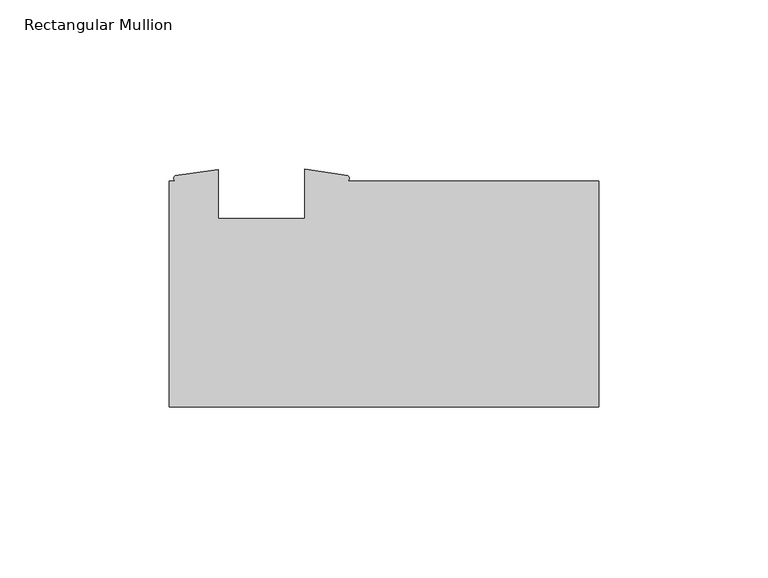
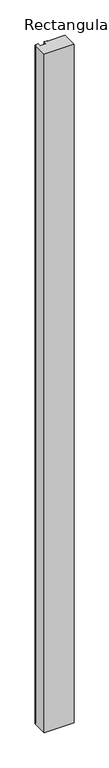
"""IFC4 building model written with IfcOpenShell, lengths in millimetres: member geometry, Rectangular Mullion."""

from ifc_helpers import new_model, si_unit, point, frame, frame_2d, origin, place, context, project, spatial, polyline, circle_curve, trimmed, segment, composite_curve, outline, extrude, source, transform, mapped, element, save


def rectangular_mullion_62c8e288(model_context):
    return source(origin(), model_context, "Body", "SweptSolid", [
        extrude(outline(composite_curve([segment(polyline([(-74.0694222, 33.3375), (0.0, 33.3375), (0.0, -33.3375), (-126.746, -33.3375), (-126.746, 33.3375), (-125.0137625, 33.3375)]), True, "CONTINUOUS"), segment(trimmed(circle_curve(frame_2d((-124.478608, 34.1304481)), 0.9566384), [point((-125.0137625, 33.3375))], [point((-125.0137625, 34.9233963))], False, "CARTESIAN"), True, "CONTINUOUS"), segment(polyline([(-125.0137625, 34.9233963), (-112.242475, 36.7335), (-112.242475, 22.225), (-86.842475, 22.225), (-86.842475, 36.8570217), (-74.0694222, 35.0009044)]), True, "CONTINUOUS"), segment(trimmed(circle_curve(frame_2d((-74.6500503, 34.1692022)), 1.0143262), [point((-74.0694222, 35.0009044))], [point((-74.0694222, 33.3375))], False, "CARTESIAN"), True, "CONTINUOUS")], self_intersect=False)), frame((0.0, 0.0, -3048.0), z_axis=(0.0, 0.0, 1.0), x_axis=(1.0, 0.0, 0.0)), (0.0, 0.0, 1.0), 3048.0),
    ])


if __name__ == "__main__":
    model = new_model("IFC4")
    model_context = context("Model", 3, world=origin())
    ifc_project = project(units=[si_unit("LENGTHUNIT", "METRE", prefix="MILLI")], contexts=[model_context])
    site = spatial("IfcSite", under=ifc_project)
    building = spatial("IfcBuilding", under=site)
    placement = place(None, origin())
    rectangular_mullion_shape = rectangular_mullion_62c8e288(model_context)
    element("IfcMember", 1, ObjectType="Rectangular Mullion", at=placement, inside=building, context=model_context, shape_type="MappedRepresentation", body=[
        mapped(rectangular_mullion_shape, transform((0.0, 0.0, 0.0), x_axis=(1.0, 0.0, 0.0), y_axis=(0.0, 1.0, 0.0), z_axis=(0.0, 0.0, 1.0))),
    ])
    save(model, "model.ifc")
